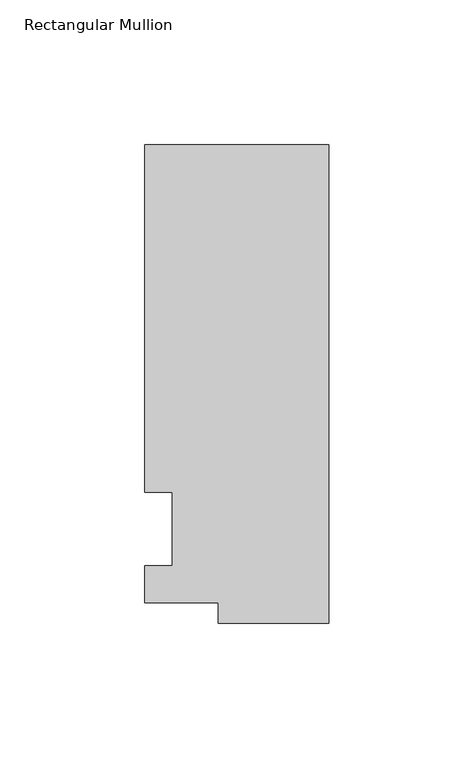
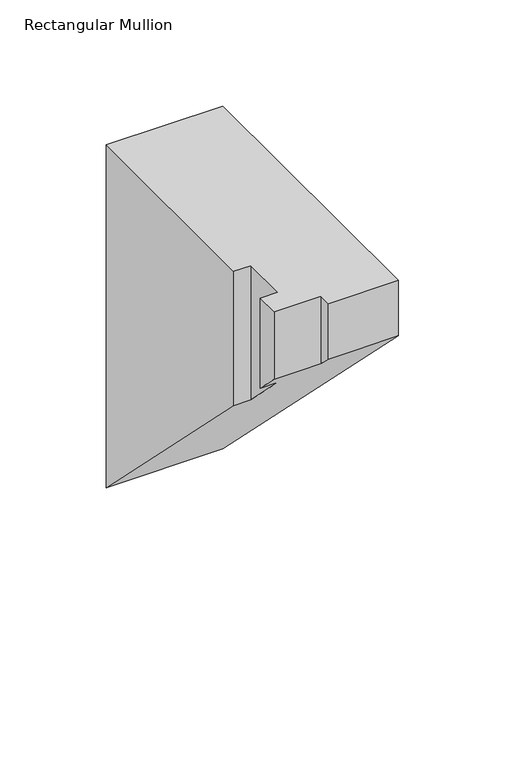
"""IFC4 building model written with IfcOpenShell, lengths in millimetres: member geometry, Rectangular Mullion."""

from ifc_helpers import new_model, si_unit, origin, place, context, project, spatial, faceted_brep, source, transform, mapped, element, save


def rectangular_mullion_7f471e83(model_context):
    return source(origin(), model_context, "Body", "Brep", [
        faceted_brep([(-38.1, -32.54375, 0.0), (0.0, -32.54375, 0.0), (0.0, 132.55625, 0.0), (-63.5, 132.55625, 0.0), (-63.5, 12.7, 0.0), (-53.975, 12.7, 0.0), (-53.975, -12.7, 0.0), (-63.5, -12.7, 0.0), (-63.5, -25.58415, 0.0), (-38.1, -25.58415, 0.0), (-38.1, -32.54375, -31.9024), (0.0, -32.54375, -31.9024), (0.0, 132.55625, -197.0024), (-63.5, 132.55625, -197.0024), (-63.5, 12.7, -77.14615), (-53.975, 12.7, -77.14615), (-53.975, -12.7, -51.74615), (-63.5, -12.7, -51.74615), (-63.5, -25.58415, -38.862), (-38.1, -25.58415, -38.862)], [[[0, 1, 2, 3, 4, 5, 6, 7, 8, 9]], [[1, 0, 10, 11]], [[2, 1, 11, 12]], [[3, 2, 12, 13]], [[4, 3, 13, 14]], [[5, 4, 14, 15]], [[6, 5, 15, 16]], [[7, 6, 16, 17]], [[8, 7, 17, 18]], [[9, 8, 18, 19]], [[0, 9, 19, 10]], [[10, 19, 18, 17, 16, 15, 14, 13, 12, 11]]]),
    ])


if __name__ == "__main__":
    model = new_model("IFC4")
    model_context = context("Model", 3, world=origin())
    ifc_project = project(units=[si_unit("LENGTHUNIT", "METRE", prefix="MILLI")], contexts=[model_context])
    site = spatial("IfcSite", under=ifc_project)
    building = spatial("IfcBuilding", under=site)
    placement = place(None, origin())
    rectangular_mullion_shape = rectangular_mullion_7f471e83(model_context)
    element("IfcMember", 1, ObjectType="Rectangular Mullion", at=placement, inside=building, context=model_context, shape_type="MappedRepresentation", body=[
        mapped(rectangular_mullion_shape, transform((0.0, 0.0, 0.0), x_axis=(1.0, 0.0, 0.0), y_axis=(0.0, 1.0, 0.0), z_axis=(0.0, 0.0, 1.0))),
    ])
    save(model, "model.ifc")
